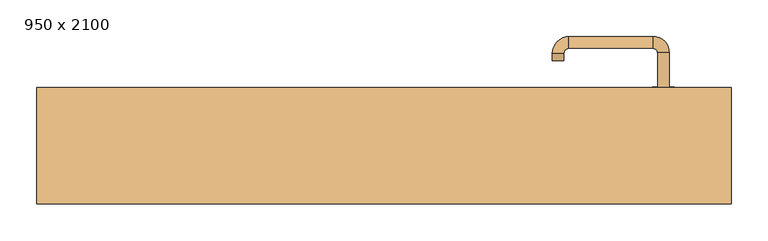
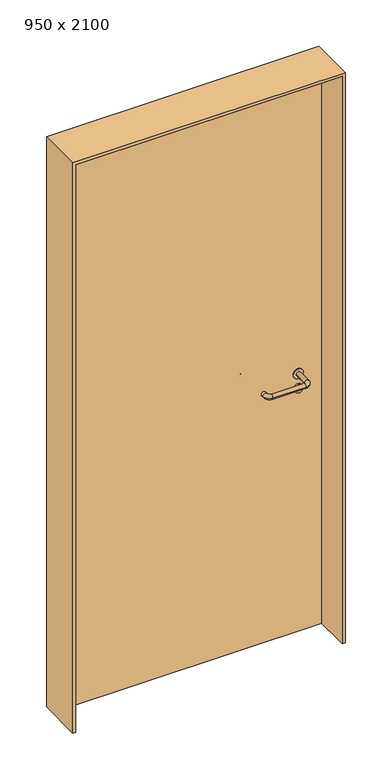
"""IFC4 building model written with IfcOpenShell, lengths in millimetres: door geometry, 950 x 2100."""

from ifc_helpers import new_model, si_unit, point, frame, frame_2d, origin, origin_with_axes, place, context, project, spatial, polyline, circle_curve, ellipse_curve, trimmed, segment, composite_curve, outline, extrude, source, transform, mapped, element, save
from ifc_brep_helpers import plane_surface, cylinder_surface, revolved_surface, advanced_brep


def door_950_x_2100_dd210de1(model_context):
    return source(origin(), model_context, "Body", "SolidModel", [
        extrude(outline(composite_curve([segment(trimmed(circle_curve(frame_2d((897.3605726, 382.0)), 15.0), [point((897.3605726, 397.0))], [point((897.3605726, 367.0))], False, "CARTESIAN"), True, "CONTINUOUS"), segment(trimmed(circle_curve(frame_2d((897.3605726, 382.0)), 15.0), [point((897.3605726, 367.0))], [point((897.3605726, 397.0))], False, "CARTESIAN"), True, "CONTINUOUS")], self_intersect=False), holes=[composite_curve([segment(trimmed(circle_curve(frame_2d((892.5833211, 381.9398032)), 2.0), [point((892.5833211, 383.9398032))], [point((892.5833211, 379.9398032))], True, "CARTESIAN"), True, "CONTINUOUS"), segment(polyline([(892.5833211, 379.9398032), (902.5833211, 379.9398032)]), True, "CONTINUOUS"), segment(trimmed(circle_curve(frame_2d((902.5833211, 381.9398032)), 2.0), [point((902.5833211, 379.9398032))], [point((902.5833211, 383.9398032))], True, "CARTESIAN"), True, "CONTINUOUS"), segment(polyline([(902.5833211, 383.9398032), (892.5833211, 383.9398032)]), True, "CONTINUOUS")], self_intersect=False)]), frame((0.0, 38.65, 0.0), z_axis=(0.0, 1.0, 0.0), x_axis=(0.0, 0.0, 1.0)), (0.0, 0.0, 1.0), 6.35),
        extrude(outline(composite_curve([segment(trimmed(circle_curve(frame_2d((950.0, 382.0)), 17.526), [point((950.0, 399.526))], [point((950.0, 364.474))], False, "CARTESIAN"), True, "CONTINUOUS"), segment(trimmed(circle_curve(frame_2d((950.0, 382.0)), 17.526), [point((950.0, 364.474))], [point((950.0, 399.526))], False, "CARTESIAN"), True, "CONTINUOUS")], self_intersect=False)), frame((0.0, 41.825, 0.0), z_axis=(0.0, 1.0, 0.0), x_axis=(0.0, 0.0, 1.0)), (0.0, 0.0, 1.0), 3.175),
        advanced_brep(
        [(390.0, 45.0, 950.0), (374.0, 45.0, 950.0), (374.0, -8.0, 950.0), (390.0, -8.0, 950.0), (367.8578644, -14.1421356, 950.0), (367.8578644, -30.1421356, 950.0), (252.8578644, -14.1421356, 950.0), (252.8578644, -30.1421356, 950.0), (246.008622, -7.2928932, 950.0), (230.008622, -7.2928932, 950.0), (230.008622, 2.7071068, 950.0), (246.008622, 2.7071068, 950.0)],
        [
            (0, 1, circle_curve(frame((382.0, 45.0, 950.0), z_axis=(0.0, 1.0, 0.0), x_axis=(-1.0, 0.0, 0.0)), 8.0)),
            (1, 0, circle_curve(frame((382.0, 45.0, 950.0), z_axis=(0.0, 1.0, 0.0), x_axis=(-1.0, 0.0, 0.0)), 8.0)),
            (1, 2),
            (2, 3, circle_curve(frame((382.0, -8.0, 950.0), z_axis=(0.0, 1.0, 0.0), x_axis=(-1.0, 0.0, 0.0)), 8.0)),
            (3, 0),
            (3, 2, circle_curve(frame((382.0, -8.0, 950.0), z_axis=(0.0, 1.0, 0.0), x_axis=(-1.0, 0.0, 0.0)), 8.0)),
            (4, 5, circle_curve(frame((367.8578644, -22.1421356, 950.0), z_axis=(1.0, 0.0, 0.0), x_axis=(0.0, 1.0, 0.0)), 8.0)),
            (5, 3, circle_curve(frame((367.8578644, -8.0, 950.0), z_axis=(0.0, 0.0, 1.0), x_axis=(1.0, 0.0, 0.0)), 22.1421356)),
            (2, 4, circle_curve(frame((367.8578644, -8.0, 950.0), z_axis=(0.0, 0.0, -1.0), x_axis=(1.0, 0.0, 0.0)), 6.1421356)),
            (5, 4, circle_curve(frame((367.8578644, -22.1421356, 950.0), z_axis=(1.0, 0.0, 0.0), x_axis=(0.0, 1.0, 0.0)), 8.0)),
            (4, 6),
            (6, 7, circle_curve(frame((252.8578644, -22.1421356, 950.0), z_axis=(1.0, 0.0, 0.0), x_axis=(0.0, 1.0, 0.0)), 8.0)),
            (7, 5),
            (7, 6, circle_curve(frame((252.8578644, -22.1421356, 950.0), z_axis=(1.0, 0.0, 0.0), x_axis=(0.0, 1.0, 0.0)), 8.0)),
            (8, 9, circle_curve(frame((238.008622, -7.2928932, 950.0), z_axis=(0.0, -1.0, 0.0), x_axis=(1.0, 0.0, 0.0)), 8.0)),
            (9, 7, circle_curve(frame((252.8578644, -7.2928932, 950.0), z_axis=(0.0, 0.0, 1.0), x_axis=(0.0, -1.0, 0.0)), 22.8492424)),
            (6, 8, circle_curve(frame((252.8578644, -7.2928932, 950.0), z_axis=(0.0, 0.0, -1.0), x_axis=(0.0, -1.0, 0.0)), 6.8492424)),
            (9, 8, circle_curve(frame((238.008622, -7.2928932, 950.0), z_axis=(0.0, -1.0, 0.0), x_axis=(1.0, 0.0, 0.0)), 8.0)),
            (10, 11, circle_curve(frame((238.008622, 2.7071068, 950.0), z_axis=(0.0, 1.0, 0.0), x_axis=(1.0, 0.0, 0.0)), 8.0)),
            (11, 10, circle_curve(frame((238.008622, 2.7071068, 950.0), z_axis=(0.0, 1.0, 0.0), x_axis=(1.0, 0.0, 0.0)), 8.0)),
            (8, 11),
            (10, 9),
        ],
        [
            plane_surface(frame((382.0, 45.0, 0.0), z_axis=(0.0, 1.0, 0.0), x_axis=(0.0, 0.0, 1.0))),
            cylinder_surface(frame((382.0, 45.0, 950.0), z_axis=(0.0, 1.0, 0.0), x_axis=(-1.0, 0.0, 0.0)), 8.0),
            revolved_surface(trimmed(ellipse_curve(frame((382.0, -8.0, 950.0), z_axis=(0.0, -1.0, 0.0), x_axis=(-1.0, 0.0, 0.0)), 8.0, 8.0), [point((390.0, -8.0, 950.0))], [point((374.0, -8.0, 950.0))], True, "CARTESIAN"), (367.8578644, -8.0, 0.0), (0.0, 0.0, 1.0)),
            revolved_surface(trimmed(ellipse_curve(frame((382.0, -8.0, 950.0), z_axis=(0.0, -1.0, 0.0), x_axis=(-1.0, 0.0, 0.0)), 8.0, 8.0), [point((374.0, -8.0, 950.0))], [point((390.0, -8.0, 950.0))], True, "CARTESIAN"), (367.8578644, -8.0, 0.0), (0.0, 0.0, 1.0)),
            cylinder_surface(frame((367.8578644, -22.1421356, 950.0), z_axis=(1.0, 0.0, 0.0), x_axis=(0.0, 1.0, 0.0)), 8.0),
            revolved_surface(trimmed(ellipse_curve(frame((252.8578644, -22.1421356, 950.0), z_axis=(-1.0, 0.0, 0.0), x_axis=(0.0, 1.0, 0.0)), 8.0, 8.0), [point((252.8578644, -30.1421356, 950.0))], [point((252.8578644, -14.1421356, 950.0))], True, "CARTESIAN"), (252.8578644, -7.2928932, 0.0), (0.0, 0.0, 1.0)),
            revolved_surface(trimmed(ellipse_curve(frame((252.8578644, -22.1421356, 950.0), z_axis=(-1.0, 0.0, 0.0), x_axis=(0.0, 1.0, 0.0)), 8.0, 8.0), [point((252.8578644, -14.1421356, 950.0))], [point((252.8578644, -30.1421356, 950.0))], True, "CARTESIAN"), (252.8578644, -7.2928932, 0.0), (0.0, 0.0, 1.0)),
            plane_surface(frame((238.008622, 2.7071068, 0.0), z_axis=(0.0, 1.0, 0.0), x_axis=(0.0, 0.0, 1.0))),
            cylinder_surface(frame((238.008622, -7.2928932, 950.0), z_axis=(0.0, -1.0, 0.0), x_axis=(1.0, 0.0, 0.0)), 8.0),
        ],
        [
            (0, [[1, 2]]),
            (1, [[3, 4, 5, -2]]),
            (1, [[-5, 6, -3, -1]]),
            (2, [[7, 8, -4, 9]]),
            (3, [[10, -9, -6, -8]]),
            (4, [[11, 12, 13, -7]]),
            (4, [[-13, 14, -11, -10]]),
            (5, [[15, 16, -12, 17]]),
            (6, [[18, -17, -14, -16]]),
            (7, [[19, 20]]),
            (8, [[21, -19, 22, -15]]),
            (8, [[-22, -20, -21, -18]]),
        ],
    ),
        extrude(outline(composite_curve([segment(trimmed(circle_curve(frame_2d((0.0, -15.0)), 15.0), [point((0.0, -30.0))], [point((0.0, 0.0))], False, "CARTESIAN"), True, "CONTINUOUS"), segment(trimmed(circle_curve(frame_2d((0.0, -15.0)), 15.0), [point((0.0, 0.0))], [point((0.0, -30.0))], False, "CARTESIAN"), True, "CONTINUOUS")], self_intersect=False), holes=[composite_curve([segment(trimmed(circle_curve(frame_2d((4.7772515, -14.9398032)), 2.0), [point((4.7772515, -16.9398032))], [point((4.7772515, -12.9398032))], True, "CARTESIAN"), True, "CONTINUOUS"), segment(polyline([(4.7772515, -12.9398032), (-5.2227485, -12.9398032)]), True, "CONTINUOUS"), segment(trimmed(circle_curve(frame_2d((-5.2227485, -14.9398032)), 2.0), [point((-5.2227485, -12.9398032))], [point((-5.2227485, -16.9398032))], True, "CARTESIAN"), True, "CONTINUOUS"), segment(polyline([(-5.2227485, -16.9398032), (4.7772515, -16.9398032)]), True, "CONTINUOUS")], self_intersect=False)]), frame((367.0, 75.0, 897.3605726), z_axis=(1.8870575173328306e-12, 1.0, 0.0), x_axis=(0.0, 0.0, -1.0)), (0.0, 0.0, 1.0), 6.35),
        extrude(outline(composite_curve([segment(trimmed(circle_curve(frame_2d((0.0, -17.526)), 17.526), [point((0.0, -35.052))], [point((0.0, 0.0))], False, "CARTESIAN"), True, "CONTINUOUS"), segment(trimmed(circle_curve(frame_2d((0.0, -17.526)), 17.526), [point((0.0, 0.0))], [point((0.0, -35.052))], False, "CARTESIAN"), True, "CONTINUOUS")], self_intersect=False)), frame((364.474, 75.0, 950.0), z_axis=(1.8870575173328306e-12, 1.0, 0.0), x_axis=(0.0, 0.0, -1.0)), (0.0, 0.0, 1.0), 3.175),
        advanced_brep(
        [(390.0, 75.0, 950.0), (374.0, 75.0, 950.0), (390.0, 128.0, 950.0), (374.0, 128.0, 950.0), (367.8578644, 134.1421356, 950.0), (367.8578644, 150.1421356, 950.0), (252.8578644, 150.1421356, 950.0), (252.8578644, 134.1421356, 950.0), (246.008622, 127.2928932, 950.0), (230.008622, 127.2928932, 950.0), (230.008622, 117.2928932, 950.0), (246.008622, 117.2928932, 950.0)],
        [
            (0, 1, circle_curve(frame((382.0, 75.0, 950.0), z_axis=(-1.888672253512351e-12, -1.0, 0.0), x_axis=(-1.0, 1.888672253512351e-12, 0.0)), 8.0)),
            (1, 0, circle_curve(frame((382.0, 75.0, 950.0), z_axis=(-1.888672253512351e-12, -1.0, 0.0), x_axis=(-1.0, 1.888672253512351e-12, 0.0)), 8.0)),
            (0, 2),
            (2, 3, circle_curve(frame((382.0, 128.0, 950.0), z_axis=(-1.888672253512351e-12, -1.0, 0.0), x_axis=(-1.0, 1.888672253512351e-12, 0.0)), 8.0)),
            (3, 1),
            (3, 2, circle_curve(frame((382.0, 128.0, 950.0), z_axis=(-1.888672253512351e-12, -1.0, 0.0), x_axis=(-1.0, 1.888672253512351e-12, 0.0)), 8.0)),
            (4, 3, circle_curve(frame((367.8578644, 128.0, 950.0), z_axis=(0.0, 0.0, -1.0), x_axis=(1.0, -1.880717803715015e-12, 0.0)), 6.1421356)),
            (2, 5, circle_curve(frame((367.8578644, 128.0, 950.0), z_axis=(0.0, 0.0, 1.0), x_axis=(1.0, -1.880717803715015e-12, 0.0)), 22.1421356)),
            (5, 4, circle_curve(frame((367.8578644, 142.1421356, 950.0), z_axis=(1.0, -1.913702061528922e-12, 0.0), x_axis=(-1.913702061528922e-12, -1.0, 0.0)), 8.0)),
            (4, 5, circle_curve(frame((367.8578644, 142.1421356, 950.0), z_axis=(1.0, -1.913702061528922e-12, 0.0), x_axis=(-1.913702061528922e-12, -1.0, 0.0)), 8.0)),
            (5, 6),
            (6, 7, circle_curve(frame((252.8578644, 142.1421356, 950.0), z_axis=(1.0, -1.913719828541269e-12, 0.0), x_axis=(-1.913719828541269e-12, -1.0, 0.0)), 8.0)),
            (7, 4),
            (7, 6, circle_curve(frame((252.8578644, 142.1421356, 950.0), z_axis=(1.0, -1.913719828541269e-12, 0.0), x_axis=(-1.913719828541269e-12, -1.0, 0.0)), 8.0)),
            (8, 7, circle_curve(frame((252.8578644, 127.2928932, 950.0), z_axis=(0.0, 0.0, -1.0), x_axis=(1.9120873253494017e-12, 1.0, 0.0)), 6.8492424)),
            (6, 9, circle_curve(frame((252.8578644, 127.2928932, 950.0), z_axis=(0.0, 0.0, 1.0), x_axis=(1.9120873253494017e-12, 1.0, 0.0)), 22.8492424)),
            (9, 8, circle_curve(frame((238.008622, 127.2928932, 950.0), z_axis=(1.890448610351751e-12, 1.0, 0.0), x_axis=(1.0, -1.890448610351751e-12, 0.0)), 8.0)),
            (8, 9, circle_curve(frame((238.008622, 127.2928932, 950.0), z_axis=(1.8888942981172756e-12, 1.0, 0.0), x_axis=(1.0, -1.8888942981172756e-12, 0.0)), 8.0)),
            (10, 11, circle_curve(frame((238.008622, 117.2928932, 950.0), z_axis=(-1.8903642334018795e-12, -1.0, 0.0), x_axis=(1.0, -1.8903642334018795e-12, 0.0)), 8.0)),
            (11, 10, circle_curve(frame((238.008622, 117.2928932, 950.0), z_axis=(-1.8903642334018795e-12, -1.0, 0.0), x_axis=(1.0, -1.8903642334018795e-12, 0.0)), 8.0)),
            (9, 10),
            (11, 8),
        ],
        [
            plane_surface(frame((382.0, 75.0, 0.0), z_axis=(-1.8870575173328306e-12, -1.0, 0.0), x_axis=(0.0, 0.0, 1.0))),
            cylinder_surface(frame((382.0, 75.0, 950.0), z_axis=(-1.888672253512351e-12, -1.0, 0.0), x_axis=(-1.0, 1.888672253512351e-12, 0.0)), 8.0),
            revolved_surface(trimmed(ellipse_curve(frame((382.0, 128.0, 950.0), z_axis=(-1.8823325398945356e-12, -1.0, 0.0), x_axis=(-1.0, 1.8823325398945356e-12, 0.0)), 8.0, 8.0), [point((390.0, 128.0, 950.0))], [point((374.0, 128.0, 950.0))], True, "CARTESIAN"), (367.8578644, 128.0, 0.0), (0.0, 0.0, 1.0)),
            revolved_surface(trimmed(ellipse_curve(frame((382.0, 128.0, 950.0), z_axis=(-1.8823325398945356e-12, -1.0, 0.0), x_axis=(-1.0, 1.8823325398945356e-12, 0.0)), 8.0, 8.0), [point((374.0, 128.0, 950.0))], [point((390.0, 128.0, 950.0))], True, "CARTESIAN"), (367.8578644, 128.0, 0.0), (0.0, 0.0, 1.0)),
            cylinder_surface(frame((367.8578644, 142.1421356, 950.0), z_axis=(1.0, -1.913719828541269e-12, 0.0), x_axis=(-1.913719828541269e-12, -1.0, 0.0)), 8.0),
            revolved_surface(trimmed(ellipse_curve(frame((252.8578644, 142.1421356, 950.0), z_axis=(1.0, -1.913702061528922e-12, 0.0), x_axis=(-1.913702061528922e-12, -1.0, 0.0)), 8.0, 8.0), [point((252.8578644, 150.1421356, 950.0))], [point((252.8578644, 134.1421356, 950.0))], True, "CARTESIAN"), (252.8578644, 127.2928932, 0.0), (0.0, 0.0, 1.0)),
            revolved_surface(trimmed(ellipse_curve(frame((252.8578644, 142.1421356, 950.0), z_axis=(1.0, -1.913702061528922e-12, 0.0), x_axis=(-1.913702061528922e-12, -1.0, 0.0)), 8.0, 8.0), [point((252.8578644, 134.1421356, 950.0))], [point((252.8578644, 150.1421356, 950.0))], True, "CARTESIAN"), (252.8578644, 127.2928932, 0.0), (0.0, 0.0, 1.0)),
            plane_surface(frame((238.008622, 117.2928932, 0.0), z_axis=(-1.8887494972223595e-12, -1.0, 0.0), x_axis=(0.0, 0.0, 1.0))),
            cylinder_surface(frame((238.008622, 127.2928932, 950.0), z_axis=(1.8903642334018795e-12, 1.0, 0.0), x_axis=(1.0, -1.8903642334018795e-12, 0.0)), 8.0),
        ],
        [
            (0, [[1, 2]]),
            (1, [[-1, 3, 4, 5]]),
            (1, [[-2, -5, 6, -3]]),
            (2, [[7, -4, 8, 9]]),
            (3, [[-8, -6, -7, 10]]),
            (4, [[-9, 11, 12, 13]]),
            (4, [[-10, -13, 14, -11]]),
            (5, [[15, -12, 16, 17]]),
            (6, [[-16, -14, -15, 18]]),
            (7, [[19, 20]]),
            (8, [[-17, 21, -20, 22]]),
            (8, [[-18, -22, -19, -21]]),
        ],
    ),
        extrude(outline(polyline([(2090.0, 465.0), (0.0, 465.0), (0.0, 475.0), (2100.0, 475.0), (2100.0, -475.0), (0.0, -475.0), (0.0, -465.0), (2090.0, -465.0), (2090.0, 465.0)])), frame((0.0, -79.0, 0.0), z_axis=(0.0, 1.0, 0.0), x_axis=(0.0, 0.0, 1.0)), (0.0, 0.0, 1.0), 159.0),
        extrude(outline(polyline([(-465.0, 75.0), (465.0, 75.0), (465.0, 45.0), (-465.0, 45.0), (-465.0, 75.0)])), origin_with_axes(), (0.0, 0.0, 1.0), 2090.0),
    ])


if __name__ == "__main__":
    model = new_model("IFC4")
    model_context = context("Model", 3, world=origin())
    ifc_project = project(units=[si_unit("LENGTHUNIT", "METRE", prefix="MILLI")], contexts=[model_context])
    site = spatial("IfcSite", under=ifc_project)
    building = spatial("IfcBuilding", under=site)
    placement = place(None, origin())
    door_950_x_2100_shape = door_950_x_2100_dd210de1(model_context)
    element("IfcDoor", 1, ObjectType="950 x 2100", at=placement, inside=building, context=model_context, shape_type="MappedRepresentation", body=[
        mapped(door_950_x_2100_shape, transform((0.0, 0.0, 0.0), x_axis=(1.0, 0.0, 0.0), y_axis=(0.0, 1.0, 0.0), z_axis=(0.0, 0.0, 1.0))),
    ])
    save(model, "model.ifc")
